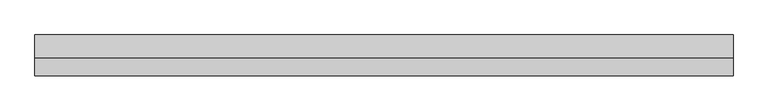
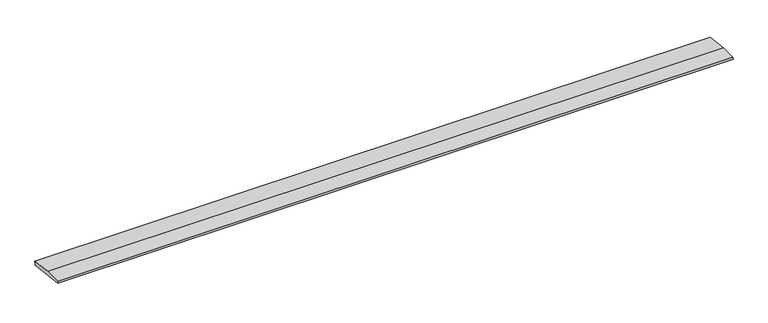
"""IFC4 building model written with IfcOpenShell, lengths in millimetres: beam geometry."""

from ifc_helpers import new_model, si_unit, frame, origin, place, context, project, spatial, polyline, outline, extrude, source, transform, mapped, element, save


def beam_5568a965(model_context):
    return source(origin(), model_context, "Body", "SweptSolid", [
        extrude(outline(polyline([(0.0, -9.143159), (1.1226388, 0.0), (79.0749747, 0.0), (180.9387048, -12.5072934), (178.6231873, -31.3656703), (0.0, -9.143159)])), frame((-1545.0, 0.0, 0.0), z_axis=(1.0, 0.0, 0.0), x_axis=(0.0, 1.0, 0.0)), (0.0, 0.0, 1.0), 3090.0),
    ])


if __name__ == "__main__":
    model = new_model("IFC4")
    model_context = context("Model", 3, world=origin())
    ifc_project = project(units=[si_unit("LENGTHUNIT", "METRE", prefix="MILLI")], contexts=[model_context])
    site = spatial("IfcSite", under=ifc_project)
    building = spatial("IfcBuilding", under=site)
    placement = place(None, origin())
    beam_shape = beam_5568a965(model_context)
    element("IfcBeam", 1, at=placement, inside=building, context=model_context, shape_type="MappedRepresentation", body=[
        mapped(beam_shape, transform((0.0, 0.0, 0.0), x_axis=(1.0, 0.0, 0.0), y_axis=(0.0, 1.0, 0.0), z_axis=(0.0, 0.0, 1.0))),
    ])
    save(model, "model.ifc")
